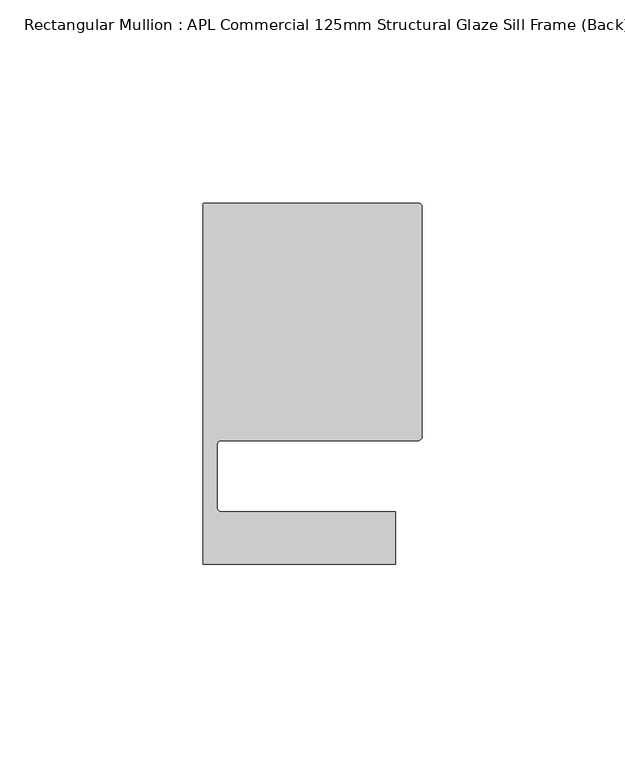
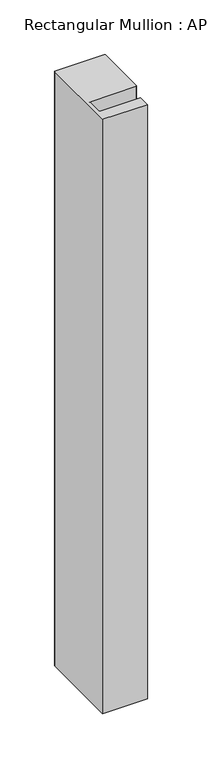
"""IFC4 building model written with IfcOpenShell, lengths in millimetres: member geometry, Rectangular Mullion : APL Commercial 125mm Structural Glaze Sill Frame (Back)."""

from ifc_helpers import new_model, si_unit, frame, origin, place, context, project, spatial, polyline, circle_curve, source, transform, mapped, element, save
from ifc_brep_helpers import plane_surface, cylinder_surface, revolved_surface, advanced_brep


def rectangular_mullion_apl_commercial_125mm_structural_glaze_9914c9d5(model_context):
    return source(origin(), model_context, "Body", "AdvancedBrep", [
        advanced_brep(
        [(-53.5000029, 104.0, 0.0), (-54.0000029, 103.5, 0.0), (-54.0000029, 15.0004332, 0.0), (-6.5000029, 15.0004332, 0.0), (-6.5000029, 28.0004332, 0.0), (-49.5000029, 28.0004332, 0.0), (-50.5000029, 29.0004332, 0.0), (-50.5000029, 44.5010268, 0.0), (-49.5000004, 45.5010268, 0.0), (-1.0, 45.5010268, 0.0), (0.0, 46.5010268, 0.0), (0.0, 103.0, 0.0), (-1.0000025, 104.0, 0.0), (-53.5000029, 104.0, -666.0250258), (-1.0000025, 104.0, -666.0250258), (-2.5e-06, 103.0, -666.0250258), (0.0, 46.5010268, -666.0250258), (-1.0, 45.5010268, -666.0250258), (-49.5000004, 45.5010268, -666.0250258), (-50.5000004, 44.5010268, -666.0250258), (-50.5000029, 29.0004332, -666.0250258), (-49.5000029, 28.0004332, -666.0250258), (-6.5000029, 28.0004332, -666.0250258), (-6.5000029, 15.0004332, -666.0250258), (-54.0000029, 15.0004332, -666.0250258), (-54.0000029, 103.5, -666.0250258)],
        [
            (0, 1, circle_curve(frame((-53.5000029, 103.5, 0.0), z_axis=(0.0, 0.0, 1.0), x_axis=(0.0, 1.0, 0.0)), 0.5)),
            (1, 2),
            (2, 3),
            (3, 4),
            (4, 5),
            (5, 6, circle_curve(frame((-49.5000029, 29.0004332, 0.0), z_axis=(0.0, 0.0, -1.0), x_axis=(0.0, -1.0, 0.0)), 1.0)),
            (6, 7),
            (7, 8, circle_curve(frame((-49.5000004, 44.5010268, 0.0), z_axis=(0.0, 0.0, -1.0), x_axis=(-0.9999999999998819, 4.863123717036027e-07, 0.0)), 1.0)),
            (8, 9),
            (9, 10, circle_curve(frame((-1.0, 46.5010268, 0.0), z_axis=(0.0, 0.0, 1.0), x_axis=(0.0, -1.0, 0.0)), 1.0)),
            (10, 11),
            (11, 12, circle_curve(frame((-1.0000025, 103.0, 0.0), z_axis=(0.0, 0.0, 1.0), x_axis=(0.9999999999996143, 8.78371761103865e-07, 0.0)), 1.0)),
            (12, 0),
            (13, 14),
            (14, 15, circle_curve(frame((-1.0000025, 103.0, -666.0250258), z_axis=(0.0, 0.0, -1.0), x_axis=(0.9999999999996143, 8.78371761103865e-07, 0.0)), 1.0)),
            (15, 16),
            (16, 17, circle_curve(frame((-1.0, 46.5010268, -666.0250258), z_axis=(0.0, 0.0, -1.0), x_axis=(0.0, -1.0, 0.0)), 1.0)),
            (17, 18),
            (18, 19, circle_curve(frame((-49.5000004, 44.5010268, -666.0250258), z_axis=(0.0, 0.0, 1.0), x_axis=(-0.9999999999998819, 4.863123717036027e-07, 0.0)), 1.0)),
            (19, 20),
            (20, 21, circle_curve(frame((-49.5000029, 29.0004332, -666.0250258), z_axis=(0.0, 0.0, 1.0), x_axis=(0.0, -1.0, 0.0)), 1.0)),
            (21, 22),
            (22, 23),
            (23, 24),
            (24, 25),
            (25, 13, circle_curve(frame((-53.5000029, 103.5, -666.0250258), z_axis=(0.0, 0.0, -1.0), x_axis=(0.0, 1.0, 0.0)), 0.5)),
            (0, 13),
            (25, 1),
            (24, 2),
            (23, 3),
            (22, 4),
            (21, 5),
            (20, 6),
            (19, 7),
            (18, 8),
            (17, 9),
            (16, 10),
            (15, 11),
            (14, 12),
        ],
        [
            plane_surface(frame((0.0, -116.986179, 0.0), z_axis=(0.0, 0.0, 1.0), x_axis=(-1.0, 0.0, 0.0))),
            plane_surface(frame((0.0, -116.986179, -666.0250258), z_axis=(0.0, 0.0, -1.0), x_axis=(-1.0, 0.0, 0.0))),
            cylinder_surface(frame((-53.5000029, 103.5, 0.0), z_axis=(0.0, 0.0, 1.0), x_axis=(0.0, 1.0, 0.0)), 0.5),
            plane_surface(frame((-54.0000029, 103.5, 0.0), z_axis=(-1.0, 0.0, 0.0), x_axis=(0.0, 0.0, -1.0))),
            plane_surface(frame((-54.0000029, 15.0004332, 0.0), z_axis=(0.0, -1.0, 0.0), x_axis=(0.0, 0.0, -1.0))),
            plane_surface(frame((-6.5000029, 15.0004332, 0.0), z_axis=(1.0, 0.0, 0.0), x_axis=(0.0, 0.0, -1.0))),
            plane_surface(frame((-6.5000029, 28.0004332, 0.0), z_axis=(0.0, 1.0, 0.0), x_axis=(0.0, 0.0, -1.0))),
            revolved_surface(polyline([(-49.5000029, 28.0004332, -666.0250258), (-49.5000029, 28.0004332, 0.0)]), (-49.5000029, 29.0004332, 0.0), (0.0, 0.0, -1.0)),
            plane_surface(frame((-50.5000029, 29.0004332, 0.0), z_axis=(1.0, 0.0, 0.0), x_axis=(0.0, 0.0, -1.0))),
            revolved_surface(polyline([(-50.50000039999988, 44.50102728631237, -666.0250258000002), (-50.50000039999988, 44.50102728631237, 0.0)]), (-49.5000004, 44.5010268, 0.0), (0.0, 0.0, -1.0000000000000002)),
            plane_surface(frame((-49.5000004, 45.5010268, 0.0), z_axis=(0.0, -1.0, 0.0), x_axis=(0.0, 0.0, -1.0))),
            cylinder_surface(frame((-1.0, 46.5010268, 0.0), z_axis=(0.0, 0.0, 1.0), x_axis=(0.0, -1.0, 0.0)), 1.0),
            plane_surface(frame((0.0, 46.5010268, 0.0), z_axis=(1.0, 0.0, 0.0), x_axis=(0.0, 0.0, -1.0))),
            cylinder_surface(frame((-1.0000025, 103.0, 0.0), z_axis=(0.0, 0.0, 1.0000000000000002), x_axis=(0.9999999999996143, 8.78371761103865e-07, 0.0)), 1.0),
            plane_surface(frame((-1.0000025, 104.0, 0.0), z_axis=(0.0, 1.0, 0.0), x_axis=(0.0, 0.0, -1.0))),
        ],
        [
            (0, [[1, 2, 3, 4, 5, 6, 7, 8, 9, 10, 11, 12, 13]]),
            (1, [[14, 15, 16, 17, 18, 19, 20, 21, 22, 23, 24, 25, 26]]),
            (2, [[-1, 27, -26, 28]]),
            (3, [[-2, -28, -25, 29]]),
            (4, [[-3, -29, -24, 30]]),
            (5, [[-4, -30, -23, 31]]),
            (6, [[-5, -31, -22, 32]]),
            (7, [[-6, -32, -21, 33]]),
            (8, [[-7, -33, -20, 34]]),
            (9, [[-8, -34, -19, 35]]),
            (10, [[-9, -35, -18, 36]]),
            (11, [[-10, -36, -17, 37]]),
            (12, [[-11, -37, -16, 38]]),
            (13, [[-12, -38, -15, 39]]),
            (14, [[-13, -39, -14, -27]]),
        ],
    ),
    ])


if __name__ == "__main__":
    model = new_model("IFC4")
    model_context = context("Model", 3, world=origin())
    ifc_project = project(units=[si_unit("LENGTHUNIT", "METRE", prefix="MILLI")], contexts=[model_context])
    site = spatial("IfcSite", under=ifc_project)
    building = spatial("IfcBuilding", under=site)
    placement = place(None, origin())
    rectangular_mullion_apl_commercial_125mm_structural_glaze_shape = rectangular_mullion_apl_commercial_125mm_structural_glaze_9914c9d5(model_context)
    element("IfcMember", 1, ObjectType="Rectangular Mullion : APL Commercial 125mm Structural Glaze Sill Frame (Back)", at=placement, inside=building, context=model_context, shape_type="MappedRepresentation", body=[
        mapped(rectangular_mullion_apl_commercial_125mm_structural_glaze_shape, transform((0.0, 0.0, 0.0), x_axis=(1.0, 0.0, 0.0), y_axis=(0.0, 1.0, 0.0), z_axis=(0.0, 0.0, 1.0))),
    ])
    save(model, "model.ifc")
